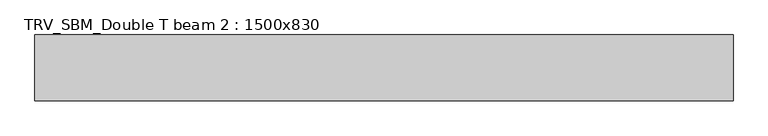
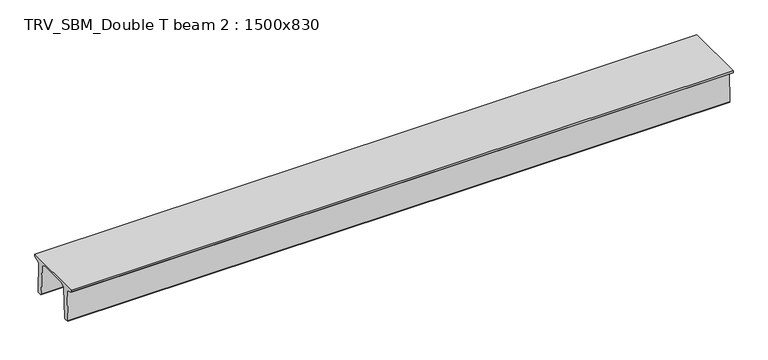
"""IFC4 building model written with IfcOpenShell, lengths in millimetres: beam geometry, TRV_SBM_Double T beam 2 : 1500x830."""

from ifc_helpers import new_model, si_unit, frame, origin, place, context, project, spatial, polyline, outline, extrude, source, transform, mapped, element, save


def trv_sbm_double_t_beam_2_1500x830_babca672(model_context):
    return source(origin(), model_context, "Body", "SweptSolid", [
        extrude(outline(polyline([(337.4555014, 470.0), (-343.4555014, 470.0), (-456.5828437, 409.8491251), (-494.786332, -340.5206011), (-514.2657308, -360.0), (-604.2657308, -360.0), (-624.8277662, -339.4379646), (-586.9373878, 401.9654693), (-752.8511046, 468.9989621), (-753.0, 475.0), (-753.0, 520.0), (747.0, 520.0), (747.0, 475.0), (746.8511046, 468.9989621), (580.9373878, 401.9654693), (618.8277662, -339.4379646), (598.2657308, -360.0), (508.2657308, -360.0), (488.786332, -340.5206011), (450.5828437, 409.8491251), (337.4555014, 470.0)])), frame((-7884.5, 0.0, 0.0), z_axis=(1.0, 0.0, 0.0), x_axis=(0.0, 1.0, 0.0)), (0.0, 0.0, 1.0), 15846.0),
    ])


if __name__ == "__main__":
    model = new_model("IFC4")
    model_context = context("Model", 3, world=origin())
    ifc_project = project(units=[si_unit("LENGTHUNIT", "METRE", prefix="MILLI")], contexts=[model_context])
    site = spatial("IfcSite", under=ifc_project)
    building = spatial("IfcBuilding", under=site)
    placement = place(None, origin())
    trv_sbm_double_t_beam_2_1500x830_shape = trv_sbm_double_t_beam_2_1500x830_babca672(model_context)
    element("IfcBeam", 1, ObjectType="TRV_SBM_Double T beam 2 : 1500x830", at=placement, inside=building, context=model_context, shape_type="MappedRepresentation", body=[
        mapped(trv_sbm_double_t_beam_2_1500x830_shape, transform((0.0, 0.0, 0.0), x_axis=(1.0, 0.0, 0.0), y_axis=(0.0, 1.0, 0.0), z_axis=(0.0, 0.0, 1.0))),
    ])
    save(model, "model.ifc")
